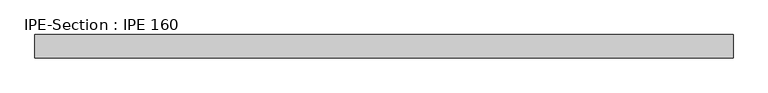
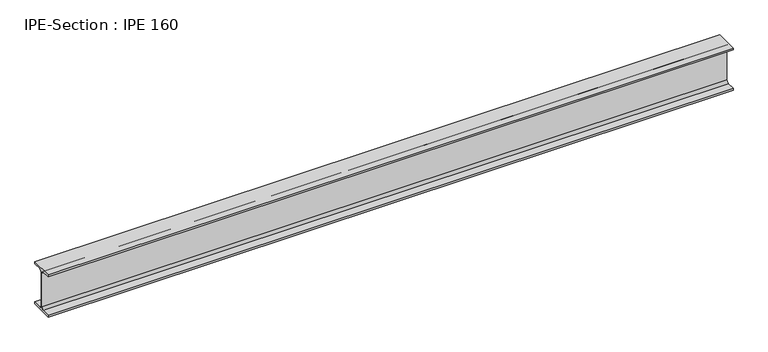
"""IFC4 building model written with IfcOpenShell, lengths in millimetres: beam geometry, IPE-Section : IPE 160."""

from ifc_helpers import new_model, si_unit, point, frame, frame_2d, origin, place, context, project, spatial, polyline, circle_curve, trimmed, segment, composite_curve, outline, extrude, source, transform, mapped, element, save


def ipe_section_ipe_160_7bb4307b(model_context):
    return source(origin(), model_context, "Body", "SweptSolid", [
        extrude(outline(composite_curve([segment(polyline([(41.0, -72.6), (41.0, -80.0), (-41.0, -80.0), (-41.0, -72.6), (-11.5, -72.6)]), True, "CONTINUOUS"), segment(trimmed(circle_curve(frame_2d((-11.5, -63.6)), 9.0), [point((-11.5, -72.6))], [point((-2.5, -63.6))], True, "CARTESIAN"), True, "CONTINUOUS"), segment(polyline([(-2.5, -63.6), (-2.5, 63.6)]), True, "CONTINUOUS"), segment(trimmed(circle_curve(frame_2d((-11.5, 63.6)), 9.0), [point((-2.5, 63.6))], [point((-11.5, 72.6))], True, "CARTESIAN"), True, "CONTINUOUS"), segment(polyline([(-11.5, 72.6), (-41.0, 72.6), (-41.0, 80.0), (41.0, 80.0), (41.0, 72.6), (11.5, 72.6)]), True, "CONTINUOUS"), segment(trimmed(circle_curve(frame_2d((11.5, 63.6)), 9.0), [point((11.5, 72.6))], [point((2.5, 63.6))], True, "CARTESIAN"), True, "CONTINUOUS"), segment(polyline([(2.5, 63.6), (2.5, -63.6)]), True, "CONTINUOUS"), segment(trimmed(circle_curve(frame_2d((11.5, -63.6)), 9.0), [point((2.5, -63.6))], [point((11.5, -72.6))], True, "CARTESIAN"), True, "CONTINUOUS"), segment(polyline([(11.5, -72.6), (41.0, -72.6)]), True, "CONTINUOUS")], self_intersect=False)), frame((-1239.5130118, 0.0, 0.0), z_axis=(1.0, 0.0, 0.0), x_axis=(0.0, 1.0, 0.0)), (0.0, 0.0, 1.0), 2458.3437535),
    ])


if __name__ == "__main__":
    model = new_model("IFC4")
    model_context = context("Model", 3, world=origin())
    ifc_project = project(units=[si_unit("LENGTHUNIT", "METRE", prefix="MILLI")], contexts=[model_context])
    site = spatial("IfcSite", under=ifc_project)
    building = spatial("IfcBuilding", under=site)
    placement = place(None, origin())
    ipe_section_ipe_160_shape = ipe_section_ipe_160_7bb4307b(model_context)
    element("IfcBeam", 1, ObjectType="IPE-Section : IPE 160", at=placement, inside=building, context=model_context, shape_type="MappedRepresentation", body=[
        mapped(ipe_section_ipe_160_shape, transform((0.0, 0.0, 0.0), x_axis=(1.0, 0.0, 0.0), y_axis=(0.0, 1.0, 0.0), z_axis=(0.0, 0.0, 1.0))),
    ])
    save(model, "model.ifc")
